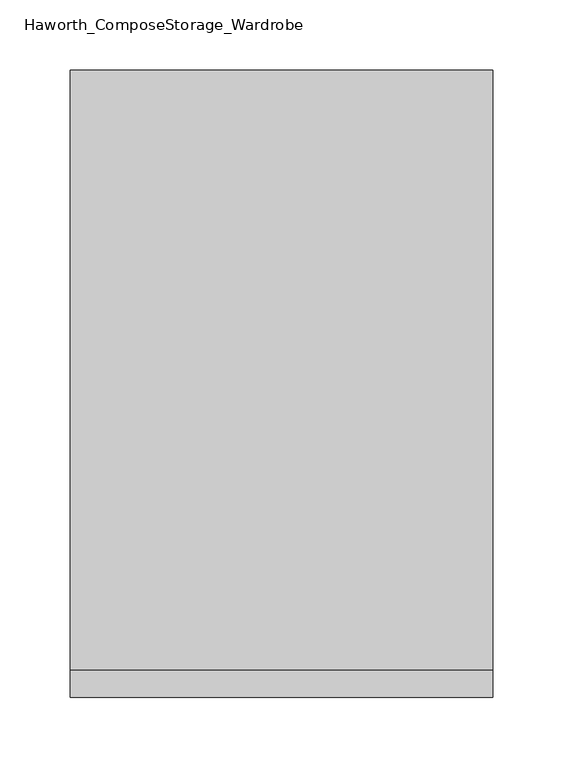
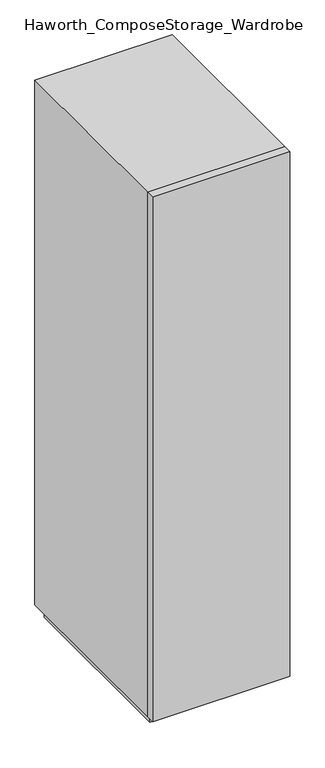
"""IFC4 building model written with IfcOpenShell, lengths in millimetres: furniture geometry, Haworth_ComposeStorage_Wardrobe."""

from ifc_helpers import new_model, si_unit, frame, origin, origin_with_axes, place, context, project, spatial, polyline, outline, extrude, faceted_brep, source, transform, mapped, element, save


def haworth_composestorage_wardrobe_c18bbe80(model_context):
    return source(origin(), model_context, "Body", "SolidModel", [
        extrude(outline(polyline([(150.8263906, -233.3625), (-150.7986094, -233.3625), (-150.7986094, -214.3125), (150.8263906, -214.3125), (150.8263906, -233.3625)])), frame((0.0, 0.0, 25.4), z_axis=(0.0, 0.0, 1.0), x_axis=(1.0, 0.0, 0.0)), (0.0, 0.0, 1.0), 1219.2),
        faceted_brep([(-150.7986094, -214.3125, 25.4), (150.8263906, -214.3125, 25.4), (150.8263906, -214.3125, 1244.6), (-150.7986094, -214.3125, 1244.6), (-131.7486094, -214.3125, 44.45), (-131.7486094, -214.3125, 1225.55), (131.7486094, -214.3125, 1225.55), (131.7486094, -214.3125, 44.45), (-150.7986094, 214.3125, 25.4), (-150.7986094, 214.3125, 1244.6), (150.8263906, 214.3125, 1244.6), (150.8263906, 214.3125, 25.4), (-131.7486094, 195.2625, 44.45), (-131.7486094, 195.2625, 1225.55), (131.7486094, 195.2625, 1225.55), (131.7486094, 195.2625, 44.45)], [[[0, 1, 2, 3], [4, 5, 6, 7]], [[8, 9, 10, 11]], [[1, 0, 8, 11]], [[2, 1, 11, 10]], [[3, 2, 10, 9]], [[0, 3, 9, 8]], [[5, 4, 12, 13]], [[6, 5, 13, 14]], [[7, 6, 14, 15]], [[4, 7, 15, 12]], [[13, 12, 15, 14]]]),
        extrude(outline(polyline([(138.1263906, -201.6125), (-138.0986094, -201.6125), (-138.0986094, 201.6125), (138.1263906, 201.6125), (138.1263906, -201.6125)])), origin_with_axes(), (0.0, 0.0, 1.0), 25.4),
    ])


if __name__ == "__main__":
    model = new_model("IFC4")
    model_context = context("Model", 3, world=origin())
    ifc_project = project(units=[si_unit("LENGTHUNIT", "METRE", prefix="MILLI")], contexts=[model_context])
    site = spatial("IfcSite", under=ifc_project)
    building = spatial("IfcBuilding", under=site)
    placement = place(None, origin())
    haworth_composestorage_wardrobe_shape = haworth_composestorage_wardrobe_c18bbe80(model_context)
    element("IfcFurniture", 1, ObjectType="Haworth_ComposeStorage_Wardrobe", at=placement, inside=building, context=model_context, shape_type="MappedRepresentation", body=[
        mapped(haworth_composestorage_wardrobe_shape, transform((0.0, 0.0, 0.0), x_axis=(1.0, 0.0, 0.0), y_axis=(0.0, 1.0, 0.0), z_axis=(0.0, 0.0, 1.0))),
    ])
    save(model, "model.ifc")
